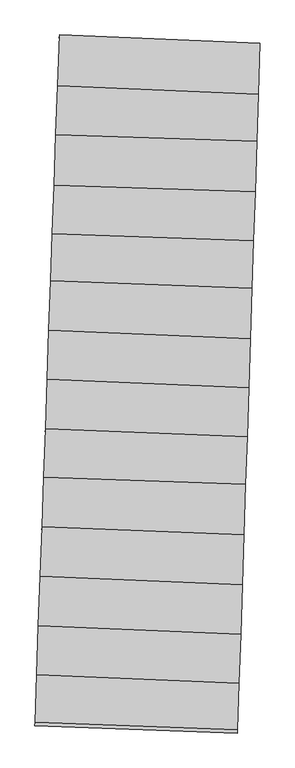
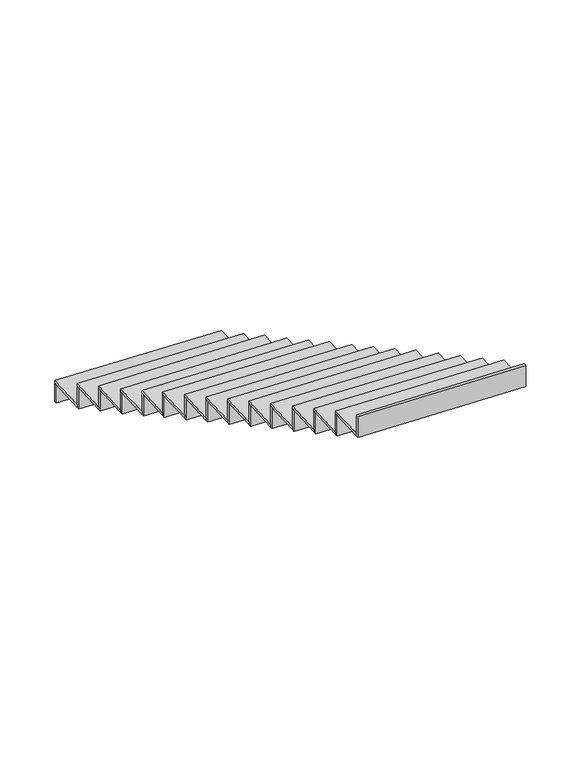
"""IFC4 building model written with IfcOpenShell, lengths in millimetres: stair flight geometry."""

from ifc_helpers import new_model, si_unit, frame, origin, place, context, project, spatial, polyline, outline, extrude, source, transform, mapped, element, save


def stair_flight_6555dbd9(model_context):
    return source(origin(), model_context, "Body", "SweptSolid", [
        extrude(outline(polyline([(112573.2755836, 55272.3523148), (112573.9879803, 55292.3399538), (113761.0789482, 55243.1947691), (113760.4248485, 55223.2047166), (112573.2755836, 55272.3523148)])), frame((0.0, 0.0, -2356.5), z_axis=(0.0, 0.0, 1.0), x_axis=(1.0, 0.0, 0.0)), (0.0, 0.0, 1.0), 142.1864079),
        extrude(outline(polyline([(113751.2674525, 54943.3439819), (112563.3020301, 54992.5253687), (112573.9879803, 55292.3399538), (113761.0789482, 55243.1947691), (113751.2674525, 54943.3439819)])), frame((0.0, 0.0, -2214.3135921), z_axis=(0.0, 0.0, 1.0), x_axis=(1.0, 0.0, 0.0)), (0.0, 0.0, 1.0), 20.0),
        extrude(outline(polyline([(112562.5896334, 54972.5377297), (112563.3020301, 54992.5253687), (113751.2674525, 54943.3439819), (113750.6133528, 54923.3539295), (112562.5896334, 54972.5377297)])), frame((0.0, 0.0, -2214.3135921), z_axis=(0.0, 0.0, 1.0), x_axis=(1.0, 0.0, 0.0)), (0.0, 0.0, 1.0), 162.1864079),
        extrude(outline(polyline([(113742.1464513, 54664.595511), (112553.0008363, 54703.5058541), (112563.3020301, 54992.5253687), (113751.2674525, 54943.3439819), (113742.1464513, 54664.595511)])), frame((0.0, 0.0, -2052.1271841), z_axis=(0.0, 0.0, 1.0), x_axis=(1.0, 0.0, 0.0)), (0.0, 0.0, 1.0), 20.0),
        extrude(outline(polyline([(112552.2884483, 54683.5184604), (112553.0008363, 54703.5058541), (113742.1464513, 54664.595511), (113741.4923762, 54644.6062092), (112552.2884483, 54683.5184604)])), frame((0.0, 0.0, -2052.1271841), z_axis=(0.0, 0.0, 1.0), x_axis=(1.0, 0.0, 0.0)), (0.0, 0.0, 1.0), 162.1864079),
        extrude(outline(polyline([(113732.3353241, 54364.7559843), (112542.3150172, 54403.6949484), (112553.0008363, 54703.5058541), (113742.1464513, 54664.595511), (113732.3353241, 54364.7559843)])), frame((0.0, 0.0, -1889.9407762), z_axis=(0.0, 0.0, 1.0), x_axis=(1.0, 0.0, 0.0)), (0.0, 0.0, 1.0), 20.0),
        extrude(outline(polyline([(112541.6026293, 54383.7075547), (112542.3150172, 54403.6949484), (113732.3353241, 54364.7559843), (113731.681249, 54344.7666825), (112541.6026293, 54383.7075547)])), frame((0.0, 0.0, -1889.9407762), z_axis=(0.0, 0.0, 1.0), x_axis=(1.0, 0.0, 0.0)), (0.0, 0.0, 1.0), 162.1864079),
        extrude(outline(polyline([(113722.8988141, 54076.3651969), (112532.1610199, 54118.8053096), (112542.3150172, 54403.6949484), (113732.3353241, 54364.7559843), (113722.8988141, 54076.3651969)])), frame((0.0, 0.0, -1727.7543683), z_axis=(0.0, 0.0, 1.0), x_axis=(1.0, 0.0, 0.0)), (0.0, 0.0, 1.0), 20.0),
        extrude(outline(polyline([(112531.4486349, 54098.818001), (112532.1610199, 54118.8053096), (113722.8988141, 54076.3651969), (113722.2447362, 54056.37581), (112531.4486349, 54098.818001)])), frame((0.0, 0.0, -1727.7543683), z_axis=(0.0, 0.0, 1.0), x_axis=(1.0, 0.0, 0.0)), (0.0, 0.0, 1.0), 162.1864079),
        extrude(outline(polyline([(113713.7417231, 53796.5137811), (112522.1876311, 53838.9829883), (112532.1610199, 54118.8053096), (113722.8988141, 54076.3651969), (113713.7417231, 53796.5137811)])), frame((0.0, 0.0, -1565.5679604), z_axis=(0.0, 0.0, 1.0), x_axis=(1.0, 0.0, 0.0)), (0.0, 0.0, 1.0), 20.0),
        extrude(outline(polyline([(112521.4752462, 53818.9956796), (112522.1876311, 53838.9829883), (113713.7417231, 53796.5137811), (113713.0876452, 53776.5243943), (112521.4752462, 53818.9956796)])), frame((0.0, 0.0, -1565.5679604), z_axis=(0.0, 0.0, 1.0), x_axis=(1.0, 0.0, 0.0)), (0.0, 0.0, 1.0), 162.1864079),
        extrude(outline(polyline([(113703.9313036, 53496.6958803), (112511.7470225, 53546.0519265), (112522.1876311, 53838.9829883), (113713.7417231, 53796.5137811), (113703.9313036, 53496.6958803)])), frame((0.0, 0.0, -1403.3815524), z_axis=(0.0, 0.0, 1.0), x_axis=(1.0, 0.0, 0.0)), (0.0, 0.0, 1.0), 20.0),
        extrude(outline(polyline([(112511.0346258, 53526.0642875), (112511.7470225, 53546.0519265), (113703.9313036, 53496.6958803), (113703.2772039, 53476.7058278), (112511.0346258, 53526.0642875)])), frame((0.0, 0.0, -1403.3815524), z_axis=(0.0, 0.0, 1.0), x_axis=(1.0, 0.0, 0.0)), (0.0, 0.0, 1.0), 162.1864079),
        extrude(outline(polyline([(113694.4465779, 53206.831565), (112501.4169658, 53256.2226076), (112511.7470225, 53546.0519265), (113703.9313036, 53496.6958803), (113694.4465779, 53206.831565)])), frame((0.0, 0.0, -1241.1951445), z_axis=(0.0, 0.0, 1.0), x_axis=(1.0, 0.0, 0.0)), (0.0, 0.0, 1.0), 20.0),
        extrude(outline(polyline([(112500.7045691, 53236.2349686), (112501.4169658, 53256.2226076), (113694.4465779, 53206.831565), (113693.7924782, 53186.8415125), (112500.7045691, 53236.2349686)])), frame((0.0, 0.0, -1241.1951445), z_axis=(0.0, 0.0, 1.0), x_axis=(1.0, 0.0, 0.0)), (0.0, 0.0, 1.0), 162.1864079),
        extrude(outline(polyline([(113684.9618522, 52916.9672496), (112491.086909, 52966.3932887), (112501.4169658, 53256.2226076), (113694.4465779, 53206.831565), (113684.9618522, 52916.9672496)])), frame((0.0, 0.0, -1079.0087366), z_axis=(0.0, 0.0, 1.0), x_axis=(1.0, 0.0, 0.0)), (0.0, 0.0, 1.0), 20.0),
        extrude(outline(polyline([(112490.3745124, 52946.4056497), (112491.086909, 52966.3932887), (113684.9618522, 52916.9672496), (113684.3077525, 52896.9771971), (112490.3745124, 52946.4056497)])), frame((0.0, 0.0, -1079.0087366), z_axis=(0.0, 0.0, 1.0), x_axis=(1.0, 0.0, 0.0)), (0.0, 0.0, 1.0), 162.1864079),
        extrude(outline(polyline([(113675.764709, 52635.8917905), (112480.8252024, 52678.4816602), (112491.086909, 52966.3932887), (113684.9618522, 52916.9672496), (113675.764709, 52635.8917905)])), frame((0.0, 0.0, -916.8223286), z_axis=(0.0, 0.0, 1.0), x_axis=(1.0, 0.0, 0.0)), (0.0, 0.0, 1.0), 20.0),
        extrude(outline(polyline([(112480.1128174, 52658.4943515), (112480.8252024, 52678.4816602), (113675.764709, 52635.8917905), (113675.110631, 52615.9024037), (112480.1128174, 52658.4943515)])), frame((0.0, 0.0, -916.8223286), z_axis=(0.0, 0.0, 1.0), x_axis=(1.0, 0.0, 0.0)), (0.0, 0.0, 1.0), 162.1864079),
        extrude(outline(polyline([(113666.004446, 52337.6067329), (112470.4399142, 52387.1027204), (112480.8252024, 52678.4816602), (113675.764709, 52635.8917905), (113666.004446, 52337.6067329)])), frame((0.0, 0.0, -754.6359207), z_axis=(0.0, 0.0, 1.0), x_axis=(1.0, 0.0, 0.0)), (0.0, 0.0, 1.0), 20.0),
        extrude(outline(polyline([(112469.7275176, 52367.1150814), (112470.4399142, 52387.1027204), (113666.004446, 52337.6067329), (113665.3503463, 52317.6166805), (112469.7275176, 52367.1150814)])), frame((0.0, 0.0, -754.6359207), z_axis=(0.0, 0.0, 1.0), x_axis=(1.0, 0.0, 0.0)), (0.0, 0.0, 1.0), 162.1864079),
        extrude(outline(polyline([(113656.3537456, 52042.6700382), (112459.9290903, 52092.2016345), (112470.4399142, 52387.1027204), (113666.004446, 52337.6067329), (113656.3537456, 52042.6700382)])), frame((0.0, 0.0, -592.4495128), z_axis=(0.0, 0.0, 1.0), x_axis=(1.0, 0.0, 0.0)), (0.0, 0.0, 1.0), 20.0),
        extrude(outline(polyline([(112459.2166936, 52072.2139955), (112459.9290903, 52092.2016345), (113656.3537456, 52042.6700382), (113655.6996459, 52022.6799857), (112459.2166936, 52072.2139955)])), frame((0.0, 0.0, -592.4495128), z_axis=(0.0, 0.0, 1.0), x_axis=(1.0, 0.0, 0.0)), (0.0, 0.0, 1.0), 162.1864079),
        extrude(outline(polyline([(113646.7639912, 51749.5959222), (112449.4846441, 51799.1629025), (112459.9290903, 52092.2016345), (113656.3537456, 52042.6700382), (113646.7639912, 51749.5959222)])), frame((0.0, 0.0, -430.2631049), z_axis=(0.0, 0.0, 1.0), x_axis=(1.0, 0.0, 0.0)), (0.0, 0.0, 1.0), 20.0),
        extrude(outline(polyline([(112448.7722474, 51779.1752635), (112449.4846441, 51799.1629025), (113646.7639912, 51749.5959222), (113646.1098915, 51729.6058697), (112448.7722474, 51779.1752635)])), frame((0.0, 0.0, -430.2631049), z_axis=(0.0, 0.0, 1.0), x_axis=(1.0, 0.0, 0.0)), (0.0, 0.0, 1.0), 162.1864079),
        extrude(outline(polyline([(113637.2880434, 51459.9998695), (112439.1641476, 51509.6018138), (112449.4846441, 51799.1629025), (113646.7639912, 51749.5959222), (113637.2880434, 51459.9998695)])), frame((0.0, 0.0, -268.0766969), z_axis=(0.0, 0.0, 1.0), x_axis=(1.0, 0.0, 0.0)), (0.0, 0.0, 1.0), 20.0),
        extrude(outline(polyline([(112438.4517509, 51489.6141748), (112439.1641476, 51509.6018138), (113637.2880434, 51459.9998695), (113636.6339437, 51440.009817), (112438.4517509, 51489.6141748)])), frame((0.0, 0.0, -268.0766969), z_axis=(0.0, 0.0, 1.0), x_axis=(1.0, 0.0, 0.0)), (0.0, 0.0, 1.0), 162.1864079),
        extrude(outline(polyline([(112428.4780855, 51209.7840908), (112429.1904705, 51229.7714009), (113628.341264, 51186.5758202), (113627.6871853, 51166.5864098), (112428.4780855, 51209.7840908)])), frame((0.0, 0.0, -105.890289), z_axis=(0.0, 0.0, 1.0), x_axis=(1.0, 0.0, 0.0)), (0.0, 0.0, 1.0), 162.1864079),
        extrude(outline(polyline([(113628.341264, 51186.5758202), (112429.1904705, 51229.7714009), (112439.1641476, 51509.6018138), (113637.2880434, 51459.9998695), (113628.341264, 51186.5758202)])), frame((0.0, 0.0, -105.890289), z_axis=(0.0, 0.0, 1.0), x_axis=(1.0, 0.0, 0.0)), (0.0, 0.0, 1.0), 20.0),
    ])


if __name__ == "__main__":
    model = new_model("IFC4")
    model_context = context("Model", 3, world=origin())
    ifc_project = project(units=[si_unit("LENGTHUNIT", "METRE", prefix="MILLI")], contexts=[model_context])
    site = spatial("IfcSite", under=ifc_project)
    building = spatial("IfcBuilding", under=site)
    placement = place(None, origin())
    stair_flight_shape = stair_flight_6555dbd9(model_context)
    element("IfcStairFlight", 1, at=placement, inside=building, context=model_context, shape_type="MappedRepresentation", body=[
        mapped(stair_flight_shape, transform((0.0, 0.0, 0.0), x_axis=(1.0, 0.0, 0.0), y_axis=(0.0, 1.0, 0.0), z_axis=(0.0, 0.0, 1.0))),
    ])
    save(model, "model.ifc")
